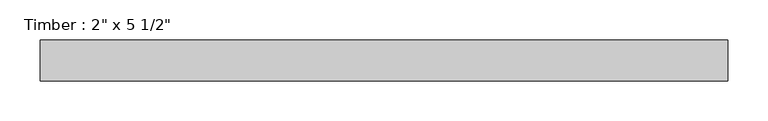
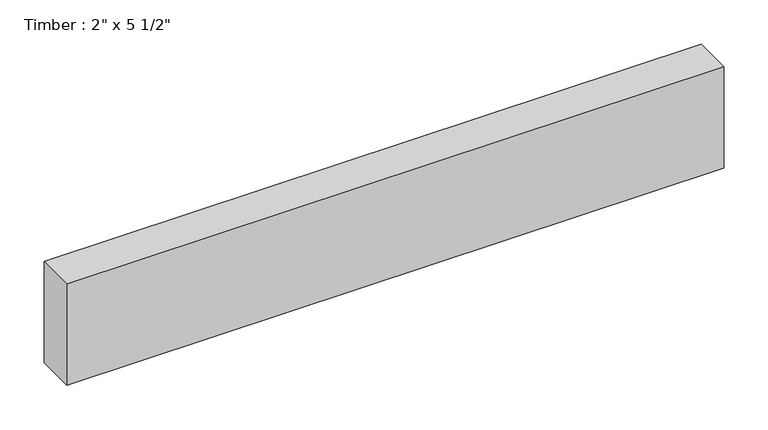
"""IFC4 building model written with IfcOpenShell, lengths in millimetres: beam geometry."""

from ifc_helpers import new_model, si_unit, frame, origin, place, context, project, spatial, polyline, outline, extrude, source, transform, mapped, element, save


def beam_14da68c3(model_context):
    return source(origin(), model_context, "Body", "SweptSolid", [
        extrude(outline(polyline([(427.4410852, 25.4), (427.4410852, -25.4), (-427.4410852, -25.4), (-427.4410852, 25.4), (427.4410852, 25.4)])), frame((0.0, 0.0, -69.85), z_axis=(0.0, 0.0, 1.0), x_axis=(1.0, 0.0, 0.0)), (0.0, 0.0, 1.0), 139.7),
    ])


if __name__ == "__main__":
    model = new_model("IFC4")
    model_context = context("Model", 3, world=origin())
    ifc_project = project(units=[si_unit("LENGTHUNIT", "METRE", prefix="MILLI")], contexts=[model_context])
    site = spatial("IfcSite", under=ifc_project)
    building = spatial("IfcBuilding", under=site)
    placement = place(None, origin())
    beam_shape = beam_14da68c3(model_context)
    element("IfcBeam", 1, ObjectType="Timber : 2\" x 5 1/2\"", at=placement, inside=building, context=model_context, shape_type="MappedRepresentation", body=[
        mapped(beam_shape, transform((0.0, 0.0, 0.0), x_axis=(1.0, 0.0, 0.0), y_axis=(0.0, 1.0, 0.0), z_axis=(0.0, 0.0, 1.0))),
    ])
    save(model, "model.ifc")
